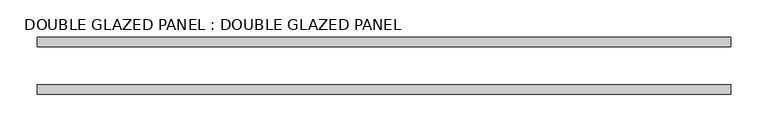
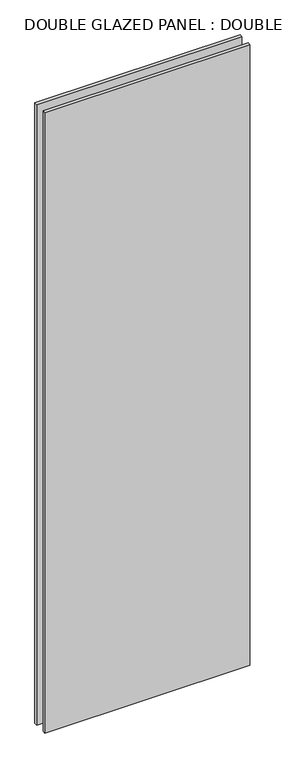
"""IFC4 building model written with IfcOpenShell, lengths in millimetres: plate geometry, DOUBLE GLAZED PANEL : DOUBLE GLAZED PANEL."""

from ifc_helpers import new_model, si_unit, origin, origin_with_axes, place, context, project, spatial, polyline, outline, extrude, source, transform, mapped, element, save


def double_glazed_panel_double_glazed_panel_4bf0798b(model_context):
    return source(origin(), model_context, "Body", "SweptSolid", [
        extrude(outline(polyline([(465.1375, 6.35), (465.1375, -6.35), (-465.1375, -6.35), (-465.1375, 6.35), (465.1375, 6.35)])), origin_with_axes(), (0.0, 0.0, 1.0), 2971.8),
        extrude(outline(polyline([(465.1375, 69.85), (465.1375, 57.15), (-465.1375, 57.15), (-465.1375, 69.85), (465.1375, 69.85)])), origin_with_axes(), (0.0, 0.0, 1.0), 2971.8),
    ])


if __name__ == "__main__":
    model = new_model("IFC4")
    model_context = context("Model", 3, world=origin())
    ifc_project = project(units=[si_unit("LENGTHUNIT", "METRE", prefix="MILLI")], contexts=[model_context])
    site = spatial("IfcSite", under=ifc_project)
    building = spatial("IfcBuilding", under=site)
    placement = place(None, origin())
    double_glazed_panel_double_glazed_panel_shape = double_glazed_panel_double_glazed_panel_4bf0798b(model_context)
    element("IfcPlate", 1, ObjectType="DOUBLE GLAZED PANEL : DOUBLE GLAZED PANEL", at=placement, inside=building, context=model_context, shape_type="MappedRepresentation", body=[
        mapped(double_glazed_panel_double_glazed_panel_shape, transform((0.0, 0.0, 0.0), x_axis=(1.0, 0.0, 0.0), y_axis=(0.0, 1.0, 0.0), z_axis=(0.0, 0.0, 1.0))),
    ])
    save(model, "model.ifc")
